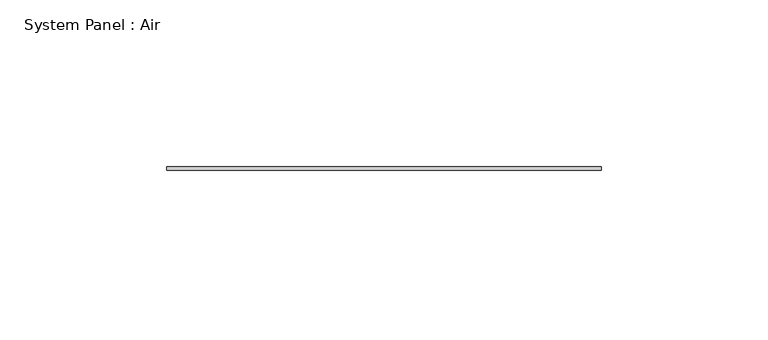
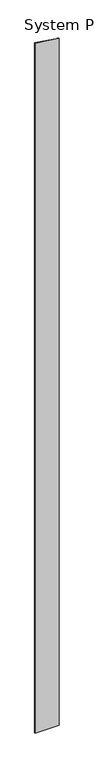
"""IFC4 building model written with IfcOpenShell, lengths in millimetres: plate geometry, System Panel : Air."""

from ifc_helpers import new_model, si_unit, frame, origin, place, context, project, spatial, polyline, outline, extrude, source, transform, mapped, element, save


def system_panel_air_04ddf998(model_context):
    return source(origin(), model_context, "Body", "SweptSolid", [
        extrude(outline(polyline([(0.0, -65.0), (0.0, 65.0), (3882.1390026, 65.0), (3901.3945498, -65.0), (0.0, -65.0)])), frame((0.0, 36.5, 0.0), z_axis=(0.0, 1.0, 0.0), x_axis=(0.0, 0.0, 1.0)), (0.0, 0.0, 1.0), 1.0),
    ])


if __name__ == "__main__":
    model = new_model("IFC4")
    model_context = context("Model", 3, world=origin())
    ifc_project = project(units=[si_unit("LENGTHUNIT", "METRE", prefix="MILLI")], contexts=[model_context])
    site = spatial("IfcSite", under=ifc_project)
    building = spatial("IfcBuilding", under=site)
    placement = place(None, origin())
    system_panel_air_shape = system_panel_air_04ddf998(model_context)
    element("IfcPlate", 1, ObjectType="System Panel : Air", at=placement, inside=building, context=model_context, shape_type="MappedRepresentation", body=[
        mapped(system_panel_air_shape, transform((0.0, 0.0, 0.0), x_axis=(1.0, 0.0, 0.0), y_axis=(0.0, 1.0, 0.0), z_axis=(0.0, 0.0, 1.0))),
    ])
    save(model, "model.ifc")
